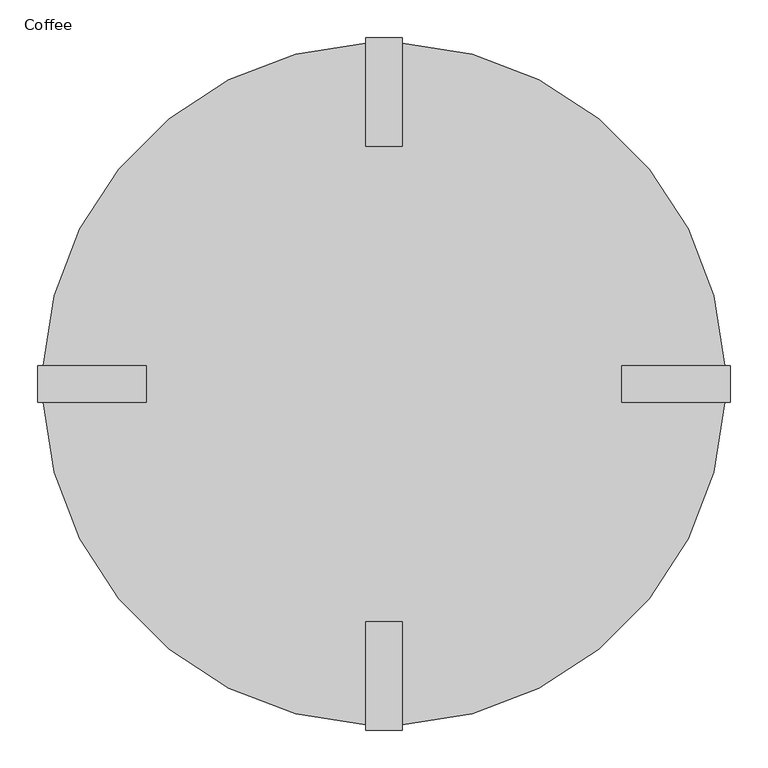
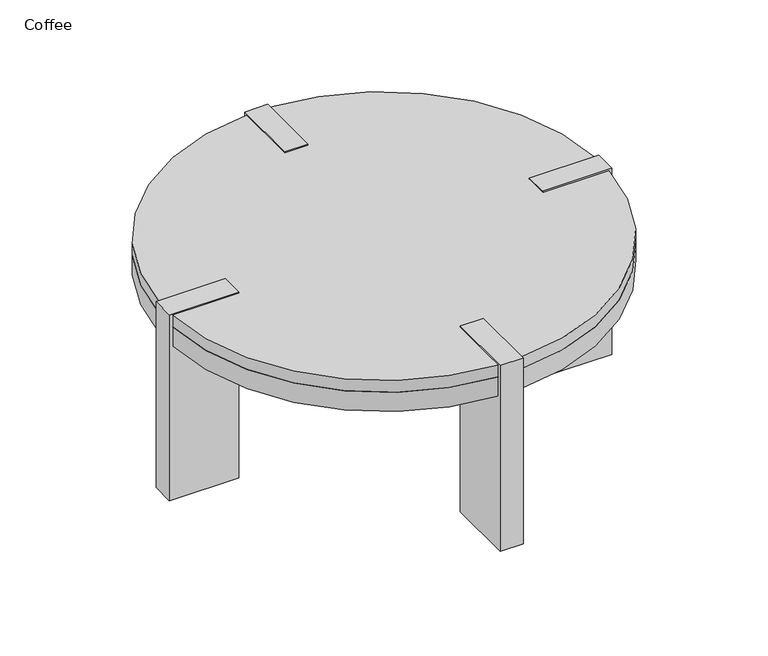
"""IFC4 building model written with IfcOpenShell, lengths in millimetres: furniture geometry, Coffee."""

from ifc_helpers import new_model, si_unit, point, frame, frame_2d, origin, origin_with_axes, place, context, project, spatial, polyline, circle_curve, trimmed, segment, composite_curve, outline, extrude, source, transform, mapped, element, save


def coffee_3814db39(model_context):
    return source(origin(), model_context, "Body", "SweptSolid", [
        extrude(outline(polyline([(-337.3214083, 660.1169098), (-384.9464083, 660.1169098), (-384.9464083, 802.9919098), (-337.3214083, 802.9919098), (-337.3214083, 660.1169098)])), origin_with_axes(), (0.0, 0.0, 1.0), 406.4),
        extrude(outline(polyline([(-337.3214083, 31.4669098), (-337.3214083, -111.4080902), (-384.9464083, -111.4080902), (-384.9464083, 31.4669098), (-337.3214083, 31.4669098)])), origin_with_axes(), (0.0, 0.0, 1.0), 406.4),
        extrude(outline(polyline([(-675.4589083, 369.6044098), (-675.4589083, 321.9794098), (-818.3339083, 321.9794098), (-818.3339083, 369.6044098), (-675.4589083, 369.6044098)])), origin_with_axes(), (0.0, 0.0, 1.0), 406.4),
        extrude(outline(polyline([(-46.8089083, 369.6044098), (96.0660917, 369.6044098), (96.0660917, 321.9794098), (-46.8089083, 321.9794098), (-46.8089083, 369.6044098)])), origin_with_axes(), (0.0, 0.0, 1.0), 406.4),
        extrude(outline(composite_curve([segment(trimmed(circle_curve(frame_2d((-361.1339083, 345.7919098)), 450.85), [point((-811.3546179, 369.6044098))], [point((-384.9464083, 796.0126194))], False, "CARTESIAN"), True, "CONTINUOUS"), segment(polyline([(-384.9464083, 796.0126194), (-384.9464083, 660.1169098), (-337.3214083, 660.1169098), (-337.3214083, 796.0126194)]), True, "CONTINUOUS"), segment(trimmed(circle_curve(frame_2d((-361.1339083, 345.7919098)), 450.85), [point((-337.3214083, 796.0126194))], [point((89.0868013, 369.6044098))], False, "CARTESIAN"), True, "CONTINUOUS"), segment(polyline([(89.0868013, 369.6044098), (-46.8089083, 369.6044098), (-46.8089083, 321.9794098), (89.0868013, 321.9794098)]), True, "CONTINUOUS"), segment(trimmed(circle_curve(frame_2d((-361.1339083, 345.7919098)), 450.85), [point((89.0868013, 321.9794098))], [point((-337.3214083, -104.4287998))], False, "CARTESIAN"), True, "CONTINUOUS"), segment(polyline([(-337.3214083, -104.4287998), (-337.3214083, 31.4669098), (-384.9464083, 31.4669098), (-384.9464083, -104.4287998)]), True, "CONTINUOUS"), segment(trimmed(circle_curve(frame_2d((-361.1339083, 345.7919098)), 450.85), [point((-384.9464083, -104.4287998))], [point((-811.3546179, 321.9794098))], False, "CARTESIAN"), True, "CONTINUOUS"), segment(polyline([(-811.3546179, 321.9794098), (-675.4589083, 321.9794098), (-675.4589083, 369.6044098), (-811.3546179, 369.6044098)]), True, "CONTINUOUS")], self_intersect=False)), frame((0.0, 0.0, 335.5727338), z_axis=(0.0, 0.0, 1.0), x_axis=(1.0, 0.0, 0.0)), (0.0, 0.0, 1.0), 42.06875),
        extrude(outline(composite_curve([segment(trimmed(circle_curve(frame_2d((-361.1339083, 345.7919098)), 450.85), [point((-811.3546179, 369.6044098))], [point((-384.9464083, 796.0126194))], False, "CARTESIAN"), True, "CONTINUOUS"), segment(polyline([(-384.9464083, 796.0126194), (-384.9464083, 660.1169098), (-337.3214083, 660.1169098), (-337.3214083, 796.0126194)]), True, "CONTINUOUS"), segment(trimmed(circle_curve(frame_2d((-361.1339083, 345.7919098)), 450.85), [point((-337.3214083, 796.0126194))], [point((89.0868013, 369.6044098))], False, "CARTESIAN"), True, "CONTINUOUS"), segment(polyline([(89.0868013, 369.6044098), (-46.8089083, 369.6044098), (-46.8089083, 321.9794098), (89.0868013, 321.9794098)]), True, "CONTINUOUS"), segment(trimmed(circle_curve(frame_2d((-361.1339083, 345.7919098)), 450.85), [point((89.0868013, 321.9794098))], [point((-337.3214083, -104.4287998))], False, "CARTESIAN"), True, "CONTINUOUS"), segment(polyline([(-337.3214083, -104.4287998), (-337.3214083, 31.4669098), (-384.9464083, 31.4669098), (-384.9464083, -104.4287998)]), True, "CONTINUOUS"), segment(trimmed(circle_curve(frame_2d((-361.1339083, 345.7919098)), 450.85), [point((-384.9464083, -104.4287998))], [point((-811.3546179, 321.9794098))], False, "CARTESIAN"), True, "CONTINUOUS"), segment(polyline([(-811.3546179, 321.9794098), (-675.4589083, 321.9794098), (-675.4589083, 369.6044098), (-811.3546179, 369.6044098)]), True, "CONTINUOUS")], self_intersect=False)), frame((0.0, 0.0, 377.6414838), z_axis=(0.0, 0.0, 1.0), x_axis=(1.0, 0.0, 0.0)), (0.0, 0.0, 1.0), 26.19375),
    ])


if __name__ == "__main__":
    model = new_model("IFC4")
    model_context = context("Model", 3, world=origin())
    ifc_project = project(units=[si_unit("LENGTHUNIT", "METRE", prefix="MILLI")], contexts=[model_context])
    site = spatial("IfcSite", under=ifc_project)
    building = spatial("IfcBuilding", under=site)
    placement = place(None, origin())
    coffee_shape = coffee_3814db39(model_context)
    element("IfcFurniture", 1, ObjectType="Coffee", at=placement, inside=building, context=model_context, shape_type="MappedRepresentation", body=[
        mapped(coffee_shape, transform((0.0, 0.0, 0.0), x_axis=(1.0, 0.0, 0.0), y_axis=(0.0, 1.0, 0.0), z_axis=(0.0, 0.0, 1.0))),
    ])
    save(model, "model.ifc")
